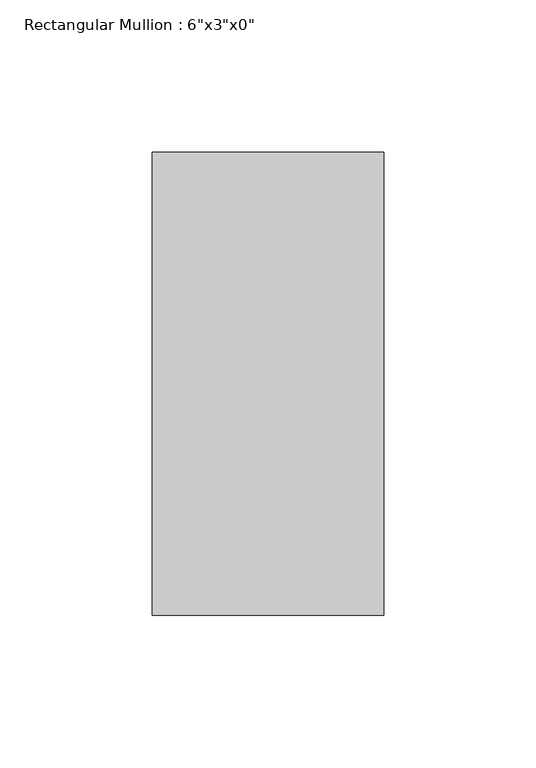
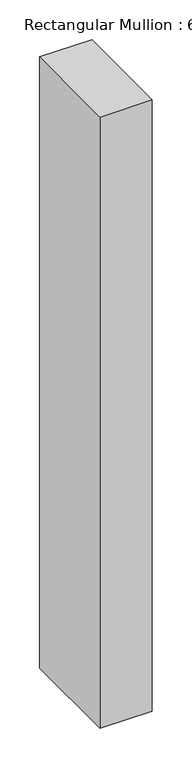
"""IFC4 building model written with IfcOpenShell, lengths in millimetres: member geometry."""

from ifc_helpers import new_model, si_unit, frame, origin, place, context, project, spatial, polyline, outline, extrude, source, transform, mapped, element, save


def member_114ed63b(model_context):
    return source(origin(), model_context, "Body", "SweptSolid", [
        extrude(outline(polyline([(38.1, 76.2), (38.1, -76.2), (-38.1, -76.2), (-38.1, 76.2), (38.1, 76.2)])), frame((0.0, 0.0, -940.8583333), z_axis=(0.0, 0.0, 1.0), x_axis=(1.0, 0.0, 0.0)), (0.0, 0.0, 1.0), 940.8583333),
    ])


if __name__ == "__main__":
    model = new_model("IFC4")
    model_context = context("Model", 3, world=origin())
    ifc_project = project(units=[si_unit("LENGTHUNIT", "METRE", prefix="MILLI")], contexts=[model_context])
    site = spatial("IfcSite", under=ifc_project)
    building = spatial("IfcBuilding", under=site)
    placement = place(None, origin())
    member_shape = member_114ed63b(model_context)
    element("IfcMember", 1, ObjectType="Rectangular Mullion : 6\"x3\"x0\"", at=placement, inside=building, context=model_context, shape_type="MappedRepresentation", body=[
        mapped(member_shape, transform((0.0, 0.0, 0.0), x_axis=(1.0, 0.0, 0.0), y_axis=(0.0, 1.0, 0.0), z_axis=(0.0, 0.0, 1.0))),
    ])
    save(model, "model.ifc")
